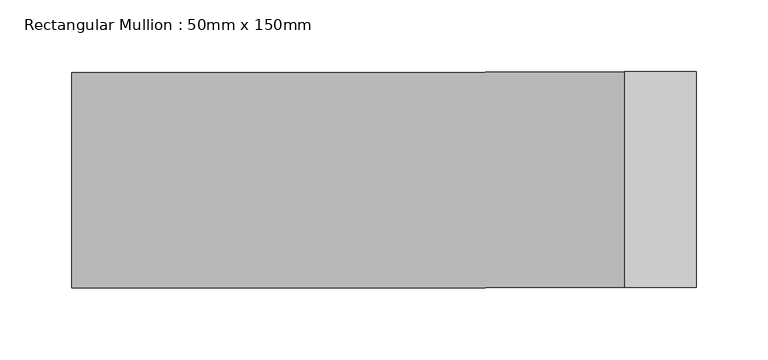
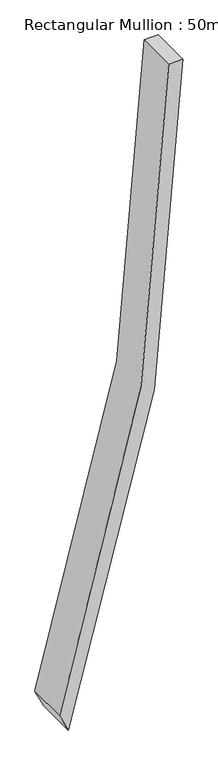
"""IFC4 building model written with IfcOpenShell, lengths in millimetres: member geometry, Rectangular Mullion : 50mm x 150mm."""

import ifcopenshell
import ifcopenshell.guid

model = None  # the IFC model being written
_history = None  # IfcOwnerHistory: only IFC2X3 demands one
_inside = {}  # id of a spatial element -> (the spatial element, [elements in it])
_under = {}  # id of a project, library or spatial element -> (it, [spatial elements below it])
_declared = {}  # id of a project -> (the project, [libraries it declares])
_typed = {}  # id of a type object -> (the type object, [elements of that type])
_made_of = {}  # id of a material, layer set ... -> (it, [elements and type objects made of it])


def new_model(schema):
    """Start an empty IFC model of exactly this schema.

    Asked for "IFC4X3", IfcOpenShell would pick the latest addendum, in which some entities
    have other attributes; the version numbers below select the first issue.
    IFC2X3 requires an IfcOwnerHistory on every rooted entity: one is made here for all.
    """
    global model, _history
    if schema == "IFC4X3":
        model = ifcopenshell.file(schema_version=(4, 3, 0, 0))
    else:
        model = ifcopenshell.file(schema=schema)
    _inside.clear()
    _under.clear()
    _declared.clear()
    _typed.clear()
    _made_of.clear()
    _history = None
    if model.schema == "IFC2X3":
        org = make("IfcOrganization", Name="unknown")
        user = make(
            "IfcPersonAndOrganization",
            ThePerson=make("IfcPerson", FamilyName="unknown"),
            TheOrganization=org,
        )
        app = make(
            "IfcApplication",
            ApplicationDeveloper=org,
            Version="unknown",
            ApplicationFullName="unknown",
            ApplicationIdentifier="unknown",
        )
        _history = make(
            "IfcOwnerHistory",
            OwningUser=user,
            OwningApplication=app,
            ChangeAction="ADDED",
            CreationDate=0,
        )
    return model


def make(cls, **values):
    """One entity of the class cls with the attributes given. An attribute that is None is left unset."""
    return model.create_entity(
        cls, **{name: value for name, value in values.items() if value is not None}
    )


def rooted(cls, **values):
    """An entity with a GlobalId (a new one), such as an element, a storey or a relation."""
    return make(cls, GlobalId=ifcopenshell.guid.new(), OwnerHistory=_history, **values)


def si_unit(unit_type, name, prefix=None):
    """IfcSIUnit, for example si_unit("LENGTHUNIT", "METRE", prefix="MILLI")."""
    return make("IfcSIUnit", UnitType=unit_type, Prefix=prefix, Name=name)


def assignment(units):
    """IfcUnitAssignment: the units of a project."""
    return None if units is None else make("IfcUnitAssignment", Units=units)


def point(xyz):
    """IfcCartesianPoint."""
    return None if xyz is None else make("IfcCartesianPoint", Coordinates=xyz)


def direction(xyz):
    """IfcDirection."""
    return None if xyz is None else make("IfcDirection", DirectionRatios=xyz)


def frame(location, z_axis=None, x_axis=None):
    """IfcAxis2Placement3D, a coordinate frame: its origin and axes. An axis left out is left unset."""
    return make(
        "IfcAxis2Placement3D",
        Location=point(location),
        Axis=direction(z_axis),
        RefDirection=direction(x_axis),
    )


def frame_2d(location, x_axis=None):
    """IfcAxis2Placement2D, a coordinate frame in the plane: its origin and x axis."""
    return make(
        "IfcAxis2Placement2D", Location=point(location), RefDirection=direction(x_axis)
    )


def origin():
    """The frame at (0, 0, 0) with its axes left unset."""
    return frame((0.0, 0.0, 0.0))


def place(relative_to, where):
    """IfcLocalPlacement: puts the frame where relative to a parent placement (None: the world)."""
    return make(
        "IfcLocalPlacement", PlacementRelTo=relative_to, RelativePlacement=where
    )


def context(
    kind, dimensions, precision=None, world=None, true_north=None, identifier=None
):
    """IfcGeometricRepresentationContext, for example the 3D "Model" context."""
    return make(
        "IfcGeometricRepresentationContext",
        ContextIdentifier=identifier,
        ContextType=kind,
        CoordinateSpaceDimension=dimensions,
        Precision=precision,
        WorldCoordinateSystem=world,
        TrueNorth=true_north,
    )


def project(units=None, contexts=None):
    """IfcProject with its units and contexts."""
    return rooted(
        "IfcProject",
        Name="project",
        RepresentationContexts=contexts,
        UnitsInContext=assignment(units),
    )


def spatial(cls, under=None, at=None, **own):
    """A site, building, storey or space (cls), placed at a placement, below another one or the project."""
    s = rooted(cls, ObjectPlacement=at, **own)
    if under is not None:
        _under.setdefault(under.id(), (under, []))[1].append(s)
    return s


def polyline(points):
    """IfcPolyline through the points."""
    return make("IfcPolyline", Points=[point(p) for p in points])


def circle_curve(where, radius):
    """IfcCircle in the frame where."""
    return make("IfcCircle", Position=where, Radius=radius)


def trimmed(basis, trim1, trim2, sense, master):
    """IfcTrimmedCurve: the piece of a basis curve between two trims."""
    return make(
        "IfcTrimmedCurve",
        BasisCurve=basis,
        Trim1=trim1,
        Trim2=trim2,
        SenseAgreement=sense,
        MasterRepresentation=master,
    )


def segment(curve, same_sense, transition):
    """IfcCompositeCurveSegment."""
    return make(
        "IfcCompositeCurveSegment",
        Transition=transition,
        SameSense=same_sense,
        ParentCurve=curve,
    )


def composite_curve(segments, self_intersect=None):
    """IfcCompositeCurve: segments joined end to end."""
    return make("IfcCompositeCurve", Segments=segments, SelfIntersect=self_intersect)


def outline(outer, holes=None, kind="AREA"):
    """IfcArbitraryClosedProfileDef: a profile drawn as a closed curve; with holes, ...WithVoids."""
    if holes is None:
        return make("IfcArbitraryClosedProfileDef", ProfileType=kind, OuterCurve=outer)
    return make(
        "IfcArbitraryProfileDefWithVoids",
        ProfileType=kind,
        OuterCurve=outer,
        InnerCurves=holes,
    )


def extrude(swept, where, along, depth):
    """IfcExtrudedAreaSolid: the profile swept, set in the frame where, extruded along a direction by depth."""
    return make(
        "IfcExtrudedAreaSolid",
        SweptArea=swept,
        Position=where,
        ExtrudedDirection=direction(along),
        Depth=depth,
    )


def shape(context_of_items, identifier, shape_type, items):
    """IfcShapeRepresentation: the items that make up one representation, for example the "Body"."""
    return make(
        "IfcShapeRepresentation",
        ContextOfItems=context_of_items,
        RepresentationIdentifier=identifier,
        RepresentationType=shape_type,
        Items=items,
    )


def source(mapping_origin, context_of_items, identifier, shape_type, items):
    """IfcRepresentationMap: a shape defined once, which mapped items show again and again."""
    return make(
        "IfcRepresentationMap",
        MappingOrigin=mapping_origin,
        MappedRepresentation=shape(context_of_items, identifier, shape_type, items),
    )


def transform(
    local_origin,
    x_axis=None,
    y_axis=None,
    z_axis=None,
    scale=None,
    scale2=None,
    scale3=None,
    uniform=True,
):
    """IfcCartesianTransformationOperator3D, or its non-uniform kind. x_axis, y_axis, z_axis: its Axis1, 2, 3."""
    if uniform:
        return make(
            "IfcCartesianTransformationOperator3D",
            Axis1=direction(x_axis),
            Axis2=direction(y_axis),
            LocalOrigin=point(local_origin),
            Scale=scale,
            Axis3=direction(z_axis),
        )
    return make(
        "IfcCartesianTransformationOperator3DnonUniform",
        Axis1=direction(x_axis),
        Axis2=direction(y_axis),
        LocalOrigin=point(local_origin),
        Scale=scale,
        Axis3=direction(z_axis),
        Scale2=scale2,
        Scale3=scale3,
    )


def mapped(mapping_source, mapping_target):
    """IfcMappedItem: shows the shape of a source again, moved by a transform."""
    return make(
        "IfcMappedItem", MappingSource=mapping_source, MappingTarget=mapping_target
    )


def made_of(thing, what):
    """Note that an element or type object is made of a material, layer set ...; save() writes the relation."""
    if what is not None:
        _made_of.setdefault(what.id(), (what, []))[1].append(thing)
    return thing


def element(
    cls,
    number,
    at=None,
    inside=None,
    cuts=None,
    type_object=None,
    material=None,
    context=None,
    identifier="Body",
    shape_type=None,
    held_by="IfcProductDefinitionShape",
    body=None,
    shapes=None,
    **own,
):
    """One element of the class cls, such as IfcWall. Its Tag is "e" and its number.

    at: its placement. inside: the storey or other place that contains it. cuts: it is an
    opening in that element (IfcRelVoidsElement). A single representation is given by context,
    identifier, shape_type and body (its items); several are given by shapes. held_by: the class
    of the entity that holds the representations. save() writes the other relations.
    """
    e = rooted(cls, Tag="e%d" % number, ObjectPlacement=at, **own)
    if body is not None:
        shapes = [shape(context, identifier, shape_type, body)]
    if shapes is not None:
        e.Representation = make(held_by, Representations=shapes)
    if inside is not None:
        _inside.setdefault(inside.id(), (inside, []))[1].append(e)
    if cuts is not None:
        rooted(
            "IfcRelVoidsElement", RelatingBuildingElement=cuts, RelatedOpeningElement=e
        )
    if type_object is not None:
        _typed.setdefault(type_object.id(), (type_object, []))[1].append(e)
    return made_of(e, material)


def aggregate(whole, parts):
    """IfcRelAggregates: a whole, such as a stair, and the parts it consists of."""
    return rooted("IfcRelAggregates", RelatingObject=whole, RelatedObjects=parts)


def save(model, path):
    """Write the relations noted so far, then the file.

    IfcRelAggregates (storeys below a building ...), IfcRelContainedInSpatialStructure (elements
    in a storey), IfcRelDefinesByType, IfcRelAssociatesMaterial and IfcRelDeclares: one each for
    every whole, place, type object, material and project.
    """
    for whole, parts in _under.values():
        aggregate(whole, parts)
    for where, things in _inside.values():
        rooted(
            "IfcRelContainedInSpatialStructure",
            RelatedElements=things,
            RelatingStructure=where,
        )
    for kind, things in _typed.values():
        rooted("IfcRelDefinesByType", RelatedObjects=things, RelatingType=kind)
    for what, things in _made_of.values():
        rooted("IfcRelAssociatesMaterial", RelatedObjects=things, RelatingMaterial=what)
    for by, libraries in _declared.values():
        rooted("IfcRelDeclares", RelatingContext=by, RelatedDefinitions=libraries)
    model.write(path)


def rectangular_mullion_50mm_x_150mm_f8c5d3fa(model_context):
    return source(origin(), model_context, "Body", "SweptSolid", [
        extrude(outline(composite_curve([segment(trimmed(circle_curve(frame_2d((0.0, -7065.3700225)), 7065.3700225), [point((-2351.8533559, -402.9200717))], [point((0.0, 0.0))], False, "CARTESIAN"), True, "CONTINUOUS"), segment(polyline([(0.0, 0.0), (0.0, -50.0)]), True, "CONTINUOUS"), segment(trimmed(circle_curve(frame_2d((0.0, -7065.3700225)), 7015.3700225), [point((0.0, -50.0))], [point((-2287.8322352, -433.5346645))], True, "CARTESIAN"), True, "CONTINUOUS"), segment(polyline([(-2287.8322352, -433.5346645), (-2351.8533559, -402.9200717)]), True, "CONTINUOUS")], self_intersect=False)), frame((0.0, -75.0, 0.0), z_axis=(0.0, 1.0, 0.0), x_axis=(0.0, 0.0, 1.0)), (0.0, 0.0, 1.0), 150.0),
    ])


if __name__ == "__main__":
    model = new_model("IFC4")
    model_context = context("Model", 3, world=origin())
    ifc_project = project(units=[si_unit("LENGTHUNIT", "METRE", prefix="MILLI")], contexts=[model_context])
    site = spatial("IfcSite", under=ifc_project)
    building = spatial("IfcBuilding", under=site)
    placement = place(None, origin())
    rectangular_mullion_50mm_x_150mm_shape = rectangular_mullion_50mm_x_150mm_f8c5d3fa(model_context)
    element("IfcMember", 1, ObjectType="Rectangular Mullion : 50mm x 150mm", at=placement, inside=building, context=model_context, shape_type="MappedRepresentation", body=[
        mapped(rectangular_mullion_50mm_x_150mm_shape, transform((0.0, 0.0, 0.0), x_axis=(1.0, 0.0, 0.0), y_axis=(0.0, 1.0, 0.0), z_axis=(0.0, 0.0, 1.0))),
    ])
    save(model, "model.ifc")
